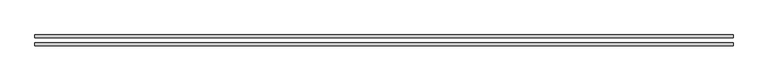
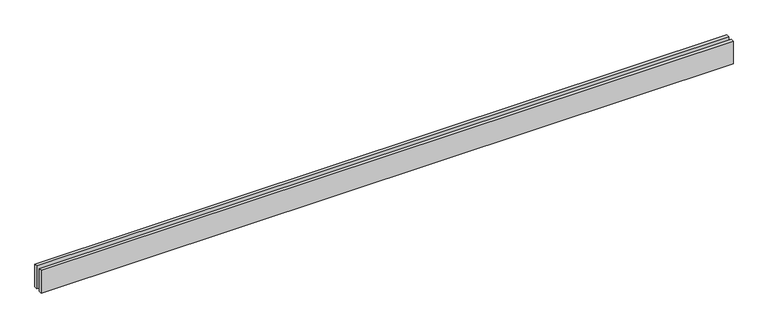
"""IFC4 building model written with IfcOpenShell, lengths in millimetres: proxy geometry."""

from ifc_helpers import new_model, si_unit, origin, origin_with_axes, place, context, project, spatial, polyline, outline, extrude, source, transform, mapped, element, save


def generic_models_9baf294c(model_context):
    return source(origin(), model_context, "Body", "SweptSolid", [
        extrude(outline(polyline([(7149.2789463, -25.0), (7149.2789463, -55.0), (0.0, -55.0), (0.0, -25.0), (7149.2789463, -25.0)])), origin_with_axes(), (0.0, 0.0, 1.0), 250.0),
        extrude(outline(polyline([(7149.2789463, 55.0), (7149.2789463, 25.0), (0.0, 25.0), (0.0, 55.0), (7149.2789463, 55.0)])), origin_with_axes(), (0.0, 0.0, 1.0), 250.0),
    ])


if __name__ == "__main__":
    model = new_model("IFC4")
    model_context = context("Model", 3, world=origin())
    ifc_project = project(units=[si_unit("LENGTHUNIT", "METRE", prefix="MILLI")], contexts=[model_context])
    site = spatial("IfcSite", under=ifc_project)
    building = spatial("IfcBuilding", under=site)
    placement = place(None, origin())
    generic_models_shape = generic_models_9baf294c(model_context)
    element("IfcBuildingElementProxy", 1, Name="Generic Models", at=placement, inside=building, context=model_context, shape_type="MappedRepresentation", body=[
        mapped(generic_models_shape, transform((0.0, 0.0, 0.0), x_axis=(1.0, 0.0, 0.0), y_axis=(0.0, 1.0, 0.0), z_axis=(0.0, 0.0, 1.0))),
    ])
    save(model, "model.ifc")
